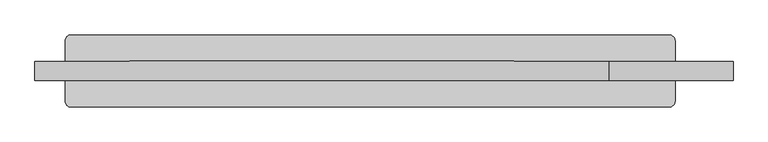
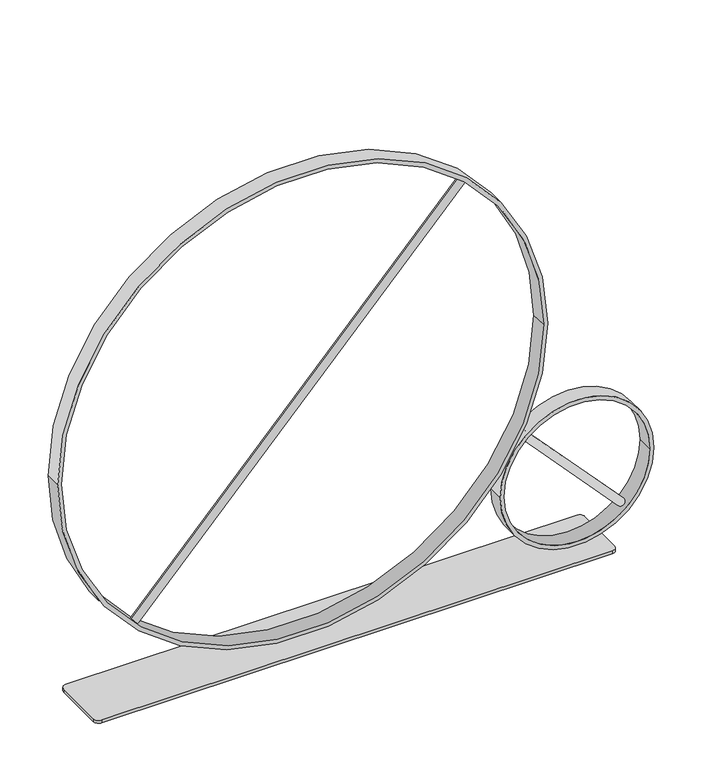
"""IFC4 building model written with IfcOpenShell, lengths in millimetres: furniture geometry."""

from ifc_helpers import new_model, si_unit, point, frame, frame_2d, origin, origin_with_axes, place, context, project, spatial, polyline, circle_curve, trimmed, segment, composite_curve, outline, extrude, source, transform, mapped, element, save


def furniture_d1c61b71(model_context):
    return source(origin(), model_context, "Body", "SweptSolid", [
        extrude(outline(composite_curve([segment(trimmed(circle_curve(frame_2d((0.0, -7.5)), 7.5), [point((0.0, -15.0))], [point((0.0, 0.0))], False, "CARTESIAN"), True, "CONTINUOUS"), segment(trimmed(circle_curve(frame_2d((0.0, -7.5)), 7.5), [point((0.0, 0.0))], [point((0.0, -15.0))], False, "CARTESIAN"), True, "CONTINUOUS")], self_intersect=False)), frame((623.4276775, 0.0, 43.9624122), z_axis=(-0.6799516958196442, 0.0, 0.7332569067877848), x_axis=(0.0, 1.0, 0.0)), (0.0, 0.0, 1.0), 288.1706542),
        extrude(outline(composite_curve([segment(trimmed(circle_curve(frame_2d((0.0, -7.5)), 7.5), [point((0.0, -15.0))], [point((0.0, 0.0))], False, "CARTESIAN"), True, "CONTINUOUS"), segment(trimmed(circle_curve(frame_2d((0.0, -7.5)), 7.5), [point((0.0, 0.0))], [point((0.0, -15.0))], False, "CARTESIAN"), True, "CONTINUOUS")], self_intersect=False)), frame((-316.0442521, 0.0, 129.6530417), z_axis=(0.6812197074386684, 0.0, 0.7320790327534146), x_axis=(0.0, -1.0, 0.0)), (0.0, 0.0, 1.0), 943.4920171),
        extrude(outline(composite_curve([segment(polyline([(-415.0, 60.0), (575.0, 60.0)]), True, "CONTINUOUS"), segment(trimmed(circle_curve(frame_2d((575.0, 50.0)), 10.0), [point((575.0, 60.0))], [point((585.0, 50.0))], False, "CARTESIAN"), True, "CONTINUOUS"), segment(polyline([(585.0, 50.0), (585.0, -50.0)]), True, "CONTINUOUS"), segment(trimmed(circle_curve(frame_2d((575.0, -50.0)), 10.0), [point((585.0, -50.0))], [point((575.0, -60.0))], False, "CARTESIAN"), True, "CONTINUOUS"), segment(polyline([(575.0, -60.0), (-415.0, -60.0)]), True, "CONTINUOUS"), segment(trimmed(circle_curve(frame_2d((-415.0, -50.0)), 10.0), [point((-415.0, -60.0))], [point((-425.0, -50.0))], False, "CARTESIAN"), True, "CONTINUOUS"), segment(polyline([(-425.0, -50.0), (-425.0, 50.0)]), True, "CONTINUOUS"), segment(trimmed(circle_curve(frame_2d((-415.0, 50.0)), 10.0), [point((-425.0, 50.0))], [point((-415.0, 60.0))], False, "CARTESIAN"), True, "CONTINUOUS")], self_intersect=False)), origin_with_axes(), (0.0, 0.0, 1.0), 6.0),
        extrude(outline(composite_curve([segment(trimmed(circle_curve(frame_2d((154.5031158, 532.1451967)), 149.0), [point((154.5031158, 383.1451967))], [point((154.5031158, 681.1451967))], False, "CARTESIAN"), True, "CONTINUOUS"), segment(trimmed(circle_curve(frame_2d((154.5031158, 532.1451967)), 149.0), [point((154.5031158, 681.1451967))], [point((154.5031158, 383.1451967))], False, "CARTESIAN"), True, "CONTINUOUS")], self_intersect=False), holes=[composite_curve([segment(trimmed(circle_curve(frame_2d((154.5031158, 532.1451967)), 141.0), [point((154.5031158, 391.1451967))], [point((154.5031158, 673.1451967))], True, "CARTESIAN"), True, "CONTINUOUS"), segment(trimmed(circle_curve(frame_2d((154.5031158, 532.1451967)), 141.0), [point((154.5031158, 673.1451967))], [point((154.5031158, 391.1451967))], True, "CARTESIAN"), True, "CONTINUOUS")], self_intersect=False)]), frame((0.0, -16.0, 0.0), z_axis=(0.0, 1.0, 0.0), x_axis=(0.0, 0.0, 1.0)), (0.0, 0.0, 1.0), 32.0),
        extrude(outline(composite_curve([segment(trimmed(circle_curve(frame_2d((480.8927472, 0.0)), 475.0), [point((480.8927472, -475.0))], [point((480.8927472, 475.0))], False, "CARTESIAN"), True, "CONTINUOUS"), segment(trimmed(circle_curve(frame_2d((480.8927472, 0.0)), 475.0), [point((480.8927472, 475.0))], [point((480.8927472, -475.0))], False, "CARTESIAN"), True, "CONTINUOUS")], self_intersect=False), holes=[composite_curve([segment(trimmed(circle_curve(frame_2d((480.8927472, 0.0)), 467.0), [point((480.8927472, -467.0))], [point((480.8927472, 467.0))], True, "CARTESIAN"), True, "CONTINUOUS"), segment(trimmed(circle_curve(frame_2d((480.8927472, 0.0)), 467.0), [point((480.8927472, 467.0))], [point((480.8927472, -467.0))], True, "CARTESIAN"), True, "CONTINUOUS")], self_intersect=False)]), frame((0.0, -16.0, 0.0), z_axis=(0.0, 1.0, 0.0), x_axis=(0.0, 0.0, 1.0)), (0.0, 0.0, 1.0), 32.0),
    ])


if __name__ == "__main__":
    model = new_model("IFC4")
    model_context = context("Model", 3, world=origin())
    ifc_project = project(units=[si_unit("LENGTHUNIT", "METRE", prefix="MILLI")], contexts=[model_context])
    site = spatial("IfcSite", under=ifc_project)
    building = spatial("IfcBuilding", under=site)
    placement = place(None, origin())
    furniture_shape = furniture_d1c61b71(model_context)
    element("IfcFurniture", 1, at=placement, inside=building, context=model_context, shape_type="MappedRepresentation", body=[
        mapped(furniture_shape, transform((0.0, 0.0, 0.0), x_axis=(1.0, 0.0, 0.0), y_axis=(0.0, 1.0, 0.0), z_axis=(0.0, 0.0, 1.0))),
    ])
    save(model, "model.ifc")
